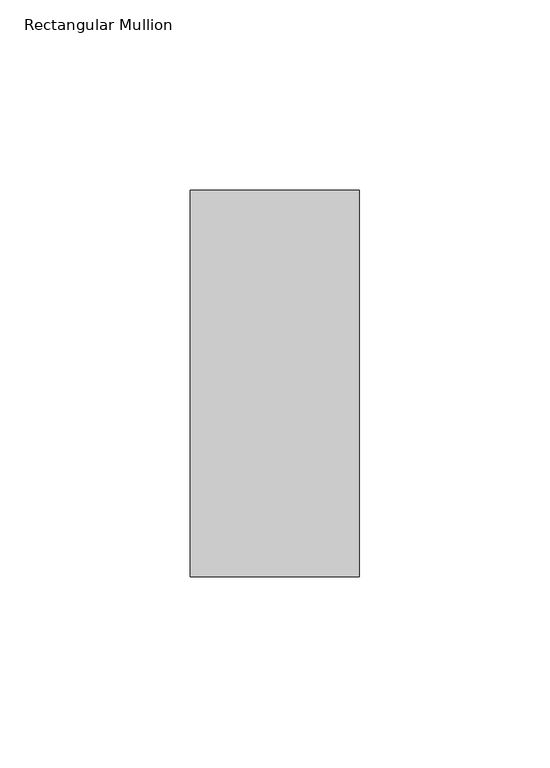
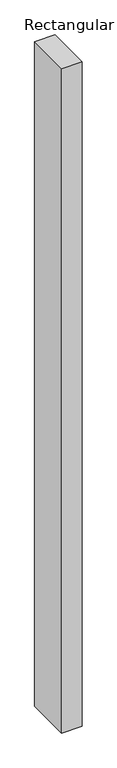
"""IFC4 building model written with IfcOpenShell, lengths in millimetres: member geometry, Rectangular Mullion."""

from ifc_helpers import new_model, si_unit, frame, origin, place, context, project, spatial, polyline, outline, extrude, source, transform, mapped, element, save


def rectangular_mullion_38b2d586(model_context):
    return source(origin(), model_context, "Body", "SweptSolid", [
        extrude(outline(polyline([(-44.44619, 50.8), (0.0, 50.8), (0.0, -50.8), (-44.44619, -50.8), (-44.44619, 50.8)])), frame((0.0, 0.0, -1524.0), z_axis=(0.0, 0.0, 1.0), x_axis=(1.0, 0.0, 0.0)), (0.0, 0.0, 1.0), 1524.0),
    ])


if __name__ == "__main__":
    model = new_model("IFC4")
    model_context = context("Model", 3, world=origin())
    ifc_project = project(units=[si_unit("LENGTHUNIT", "METRE", prefix="MILLI")], contexts=[model_context])
    site = spatial("IfcSite", under=ifc_project)
    building = spatial("IfcBuilding", under=site)
    placement = place(None, origin())
    rectangular_mullion_shape = rectangular_mullion_38b2d586(model_context)
    element("IfcMember", 1, ObjectType="Rectangular Mullion", at=placement, inside=building, context=model_context, shape_type="MappedRepresentation", body=[
        mapped(rectangular_mullion_shape, transform((0.0, 0.0, 0.0), x_axis=(1.0, 0.0, 0.0), y_axis=(0.0, 1.0, 0.0), z_axis=(0.0, 0.0, 1.0))),
    ])
    save(model, "model.ifc")
